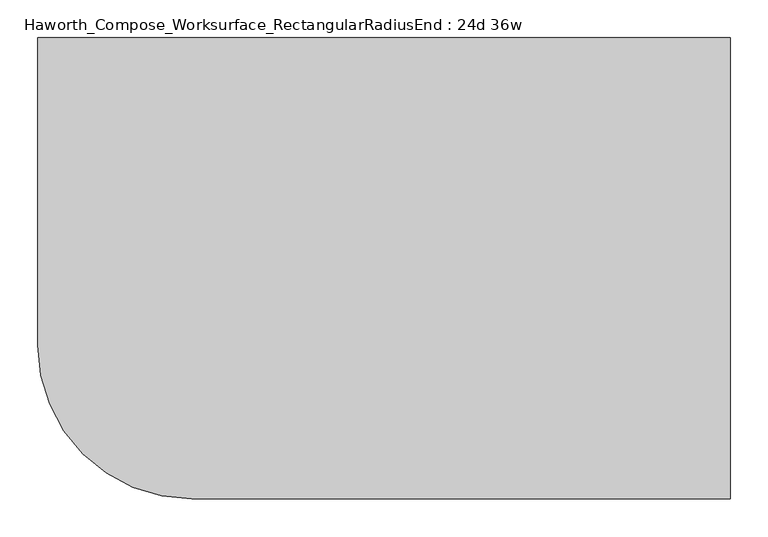
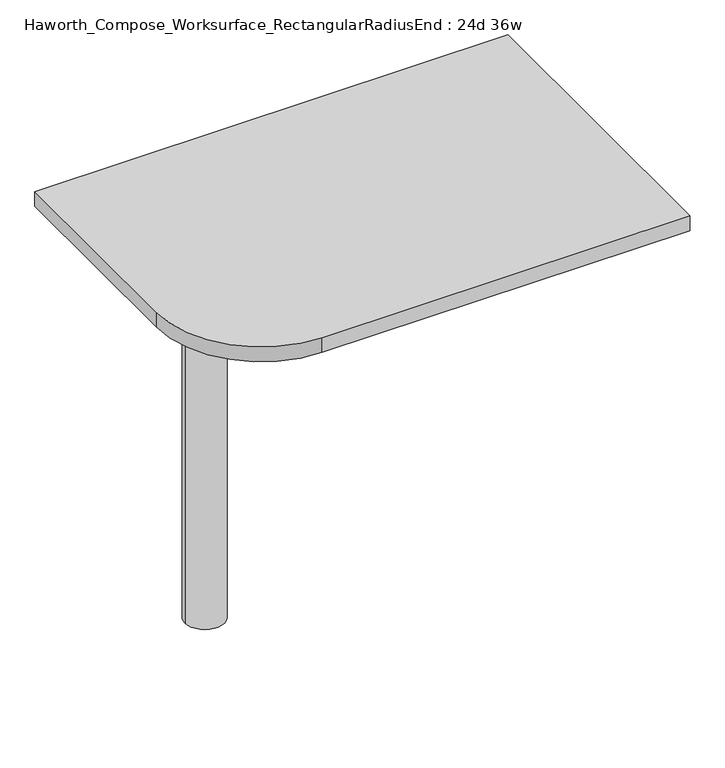
"""IFC4 building model written with IfcOpenShell, lengths in millimetres: furniture geometry, Haworth_Compose_Worksurface_RectangularRadiusEnd : 24d 36w."""

from ifc_helpers import new_model, si_unit, point, frame, frame_2d, origin, place, context, project, spatial, polyline, circle_curve, trimmed, segment, composite_curve, outline, extrude, source, transform, mapped, element, save
from ifc_brep_helpers import plane_surface, cylinder_surface, revolved_surface, advanced_brep


def haworth_compose_worksurface_rectangularradiusend_24d_36w_a8c0a044(model_context):
    return source(origin(), model_context, "Body", "SolidModel", [
        advanced_brep(
        [(451.64375, 304.8, 475.45625), (451.64375, 288.925, 475.45625), (451.64375, -101.6, 691.7192568), (451.64375, -101.6, 704.05625), (451.64375, 288.925, 704.05625), (451.64375, 304.8, 704.05625), (451.64375, 221.490072, 665.95625), (451.64375, 177.8355284, 665.95625), (451.64375, 175.1564235, 656.3705539), (451.64375, 266.8776173, 605.5776439), (451.64375, 276.225, 611.1756969), (451.64375, 276.225, 634.6860246), (451.64375, 274.4730055, 637.5242776), (451.64375, 224.5663437, 665.1613425), (454.025, 304.8, 475.45625), (454.025, 304.8, 704.05625), (454.025, 288.925, 704.05625), (454.025, 288.925, 706.4375), (454.025, -101.6, 706.4375), (454.025, -101.6, 691.7192568), (454.025, 288.925, 475.45625), (454.025, 221.490072, 665.95625), (454.025, 224.5663437, 665.1613425), (454.025, 274.4730055, 637.5242776), (454.025, 276.225, 634.6860246), (454.025, 276.225, 611.1756969), (454.025, 266.8776173, 605.5776439), (454.025, 175.1564235, 656.3705539), (454.025, 177.8355284, 665.95625), (412.75, -101.6, 706.4375), (412.75, -101.6, 704.05625), (412.75, 288.925, 704.05625), (412.75, 288.925, 706.4375)],
        [
            (0, 1),
            (1, 2),
            (2, 3),
            (3, 4),
            (4, 5),
            (5, 0),
            (6, 7),
            (7, 8, circle_curve(frame((451.64375, 177.8355284, 660.7890106), z_axis=(1.0, 0.0, 0.0), x_axis=(0.0, -1.0, 0.0)), 5.1672394)),
            (8, 9),
            (9, 10, circle_curve(frame((451.64375, 269.875, 611.1756969), z_axis=(1.0, 0.0, 0.0), x_axis=(0.0, -1.0, 0.0)), 6.35)),
            (10, 11),
            (11, 12, circle_curve(frame((451.64375, 273.05, 634.6860246), z_axis=(1.0, 0.0, 0.0), x_axis=(0.0, -1.0, 0.0)), 3.175)),
            (12, 13),
            (13, 6, circle_curve(frame((451.64375, 221.490072, 659.60625), z_axis=(1.0, 0.0, 0.0), x_axis=(0.0, -1.0, 0.0)), 6.35)),
            (14, 15),
            (15, 16),
            (16, 17),
            (17, 18),
            (18, 19),
            (19, 20),
            (20, 14),
            (21, 22, circle_curve(frame((454.025, 221.490072, 659.60625), z_axis=(-1.0, 0.0, 0.0), x_axis=(0.0, -1.0, 0.0)), 6.35)),
            (22, 23),
            (23, 24, circle_curve(frame((454.025, 273.05, 634.6860246), z_axis=(-1.0, 0.0, 0.0), x_axis=(0.0, -1.0, 0.0)), 3.175)),
            (24, 25),
            (25, 26, circle_curve(frame((454.025, 269.875, 611.1756969), z_axis=(-1.0, 0.0, 0.0), x_axis=(0.0, -1.0, 0.0)), 6.35)),
            (26, 27),
            (27, 28, circle_curve(frame((454.025, 177.8355284, 660.7890106), z_axis=(-1.0, 0.0, 0.0), x_axis=(0.0, -1.0, 0.0)), 5.1672394)),
            (28, 21),
            (4, 16),
            (15, 5),
            (14, 0),
            (20, 1),
            (19, 2),
            (18, 29),
            (29, 30),
            (30, 3),
            (6, 21),
            (28, 7),
            (9, 26),
            (25, 10),
            (24, 11),
            (23, 12),
            (27, 8),
            (31, 4),
            (30, 31),
            (32, 29),
            (17, 32),
            (31, 32),
            (22, 13),
        ],
        [
            plane_surface(frame((451.64375, 304.8, 475.45625), z_axis=(-1.0, 0.0, 0.0), x_axis=(0.0, 1.0, 0.0))),
            plane_surface(frame((454.025, 304.8, 475.45625), z_axis=(1.0, 0.0, 0.0), x_axis=(0.0, -1.0, 0.0))),
            plane_surface(frame((454.025, -101.6, 704.05625), z_axis=(0.0, 0.0, 1.0), x_axis=(-1.0, 0.0, 0.0))),
            plane_surface(frame((454.025, 304.8, 704.05625), z_axis=(0.0, 1.0, 0.0), x_axis=(-1.0, 0.0, 0.0))),
            plane_surface(frame((454.025, 304.8, 475.45625), z_axis=(0.0, 0.0, -1.0), x_axis=(-1.0, 0.0, 0.0))),
            plane_surface(frame((454.025, 288.925, 475.45625), z_axis=(0.0, -0.48445223513455843, -0.8748177135112952), x_axis=(-1.0, 0.0, 0.0))),
            plane_surface(frame((454.025, -101.6, 691.7192568), z_axis=(0.0, -1.0, 0.0), x_axis=(-1.0, 0.0, 0.0))),
            plane_surface(frame((454.025, 221.490072, 665.95625), z_axis=(0.0, 0.0, -1.0), x_axis=(-1.0, 0.0, 0.0))),
            revolved_surface(polyline([(451.64375, 263.525, 611.1756969), (454.025, 263.525, 611.1756969)]), (454.025, 269.875, 611.1756969), (-1.0, 0.0, 0.0)),
            plane_surface(frame((454.025, 276.225, 611.1756969), z_axis=(0.0, -1.0, 0.0), x_axis=(-1.0, 0.0, 0.0))),
            revolved_surface(polyline([(451.64375, 269.875, 634.6860246), (454.025, 269.875, 634.6860246)]), (454.025, 273.05, 634.6860246), (-1.0, 0.0, 0.0)),
            revolved_surface(polyline([(451.64375, 172.668289, 660.7890106), (454.025, 172.668289, 660.7890106)]), (454.025, 177.8355284, 660.7890106), (-1.0, 0.0, 0.0)),
            plane_surface(frame((454.025, 288.925, 704.05625), z_axis=(0.0, 0.0, -1.0), x_axis=(-1.0, 0.0, 0.0))),
            plane_surface(frame((454.025, 288.925, 706.4375), z_axis=(0.0, 0.0, 1.0), x_axis=(1.0, 0.0, 0.0))),
            plane_surface(frame((412.75, 288.925, 706.4375), z_axis=(0.0, 1.0, 0.0), x_axis=(0.0, 0.0, -1.0))),
            plane_surface(frame((412.75, -101.6, 706.4375), z_axis=(-1.0, 0.0, 0.0), x_axis=(0.0, 0.0, -1.0))),
            plane_surface(frame((454.025, 175.1564235, 656.3705539), z_axis=(0.0, 0.4844522351345583, 0.8748177135112953), x_axis=(-1.0, 0.0, 0.0))),
            plane_surface(frame((454.025, 274.4730055, 637.5242776), z_axis=(0.0, -0.4844522351345582, -0.8748177135112953), x_axis=(-1.0, 0.0, 0.0))),
            revolved_surface(polyline([(451.64375, 215.140072, 659.60625), (454.025, 215.140072, 659.60625)]), (454.025, 221.490072, 659.60625), (-1.0, 0.0, 0.0)),
        ],
        [
            (0, [[1, 2, 3, 4, 5, 6], [7, 8, 9, 10, 11, 12, 13, 14]]),
            (1, [[15, 16, 17, 18, 19, 20, 21], [22, 23, 24, 25, 26, 27, 28, 29]]),
            (2, [[-5, 30, -16, 31]]),
            (3, [[-31, -15, 32, -6]]),
            (4, [[-32, -21, 33, -1]]),
            (5, [[-33, -20, 34, -2]]),
            (6, [[-34, -19, 35, 36, 37, -3]]),
            (7, [[38, -29, 39, -7]]),
            (8, [[40, -26, 41, -10]]),
            (9, [[-41, -25, 42, -11]]),
            (10, [[-42, -24, 43, -12]]),
            (11, [[-39, -28, 44, -8]]),
            (12, [[45, -4, -37, 46]]),
            (13, [[47, -35, -18, 48]]),
            (14, [[-17, -30, -45, 49, -48]]),
            (15, [[-36, -47, -49, -46]]),
            (16, [[-44, -27, -40, -9]]),
            (17, [[-43, -23, 50, -13]]),
            (18, [[-50, -22, -38, -14]]),
        ],
    ),
        advanced_brep(
        [(-266.7, 0.0, 706.4375), (-342.9, 0.0, 706.4375), (-304.8, 0.0, 706.4375), (-266.7, 0.0, 0.0), (-342.9, 0.0, 0.0), (-304.8, 0.0, 0.0)],
        [
            (0, 1, circle_curve(frame((-304.8, 0.0, 706.4375), z_axis=(0.0, 0.0, 1.0), x_axis=(-1.0, 0.0, 0.0)), 38.1)),
            (1, 2),
            (2, 0),
            (1, 0, circle_curve(frame((-304.8, 0.0, 706.4375), z_axis=(0.0, 0.0, 1.0), x_axis=(-1.0, 0.0, 0.0)), 38.1)),
            (3, 4, circle_curve(frame((-304.8, 0.0, 0.0), z_axis=(0.0, 0.0, 1.0), x_axis=(-1.0, 0.0, 0.0)), 38.1)),
            (4, 1),
            (0, 3),
            (4, 3, circle_curve(frame((-304.8, 0.0, 0.0), z_axis=(0.0, 0.0, 1.0), x_axis=(-1.0, 0.0, 0.0)), 38.1)),
            (5, 4),
            (3, 5),
        ],
        [
            plane_surface(frame((-304.8, 0.0, 706.4375), z_axis=(0.0, 0.0, 1.0), x_axis=(-1.0, 0.0, 0.0))),
            cylinder_surface(frame((-304.8, 0.0, 889.623257), z_axis=(0.0, 0.0, -1.0), x_axis=(-1.0, 0.0, 0.0)), 38.1),
            plane_surface(frame((-304.8, 0.0, 0.0), z_axis=(0.0, 0.0, -1.0), x_axis=(-1.0, 0.0, 0.0))),
        ],
        [
            (0, [[1, 2, 3]]),
            (0, [[4, -3, -2]]),
            (1, [[5, 6, -1, 7]]),
            (1, [[8, -7, -4, -6]]),
            (2, [[9, -5, 10]]),
            (2, [[-10, -8, -9]]),
        ],
    ),
        extrude(outline(composite_curve([segment(polyline([(457.2, 304.8), (457.2, -304.8), (-254.0, -304.8)]), True, "CONTINUOUS"), segment(trimmed(circle_curve(frame_2d((-254.0, -101.6)), 203.2), [point((-254.0, -304.8))], [point((-457.2, -101.6))], False, "CARTESIAN"), True, "CONTINUOUS"), segment(polyline([(-457.2, -101.6), (-457.2, 304.8), (457.2, 304.8)]), True, "CONTINUOUS")], self_intersect=False)), frame((0.0, 0.0, 706.4375), z_axis=(0.0, 0.0, 1.0), x_axis=(1.0, 0.0, 0.0)), (0.0, 0.0, 1.0), 30.1625),
    ])


if __name__ == "__main__":
    model = new_model("IFC4")
    model_context = context("Model", 3, world=origin())
    ifc_project = project(units=[si_unit("LENGTHUNIT", "METRE", prefix="MILLI")], contexts=[model_context])
    site = spatial("IfcSite", under=ifc_project)
    building = spatial("IfcBuilding", under=site)
    placement = place(None, origin())
    haworth_compose_worksurface_rectangularradiusend_24d_36w_shape = haworth_compose_worksurface_rectangularradiusend_24d_36w_a8c0a044(model_context)
    element("IfcFurniture", 1, ObjectType="Haworth_Compose_Worksurface_RectangularRadiusEnd : 24d 36w", at=placement, inside=building, context=model_context, shape_type="MappedRepresentation", body=[
        mapped(haworth_compose_worksurface_rectangularradiusend_24d_36w_shape, transform((0.0, 0.0, 0.0), x_axis=(1.0, 0.0, 0.0), y_axis=(0.0, 1.0, 0.0), z_axis=(0.0, 0.0, 1.0))),
    ])
    save(model, "model.ifc")
